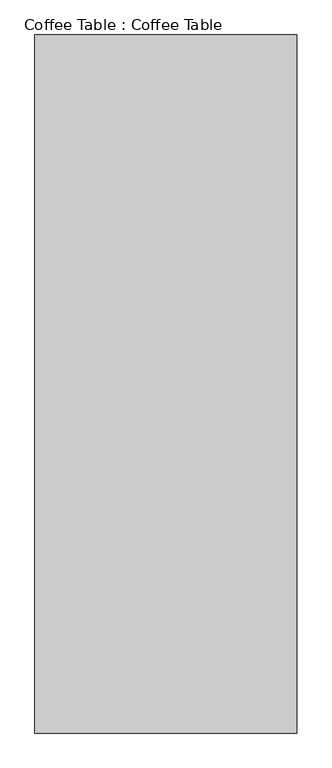
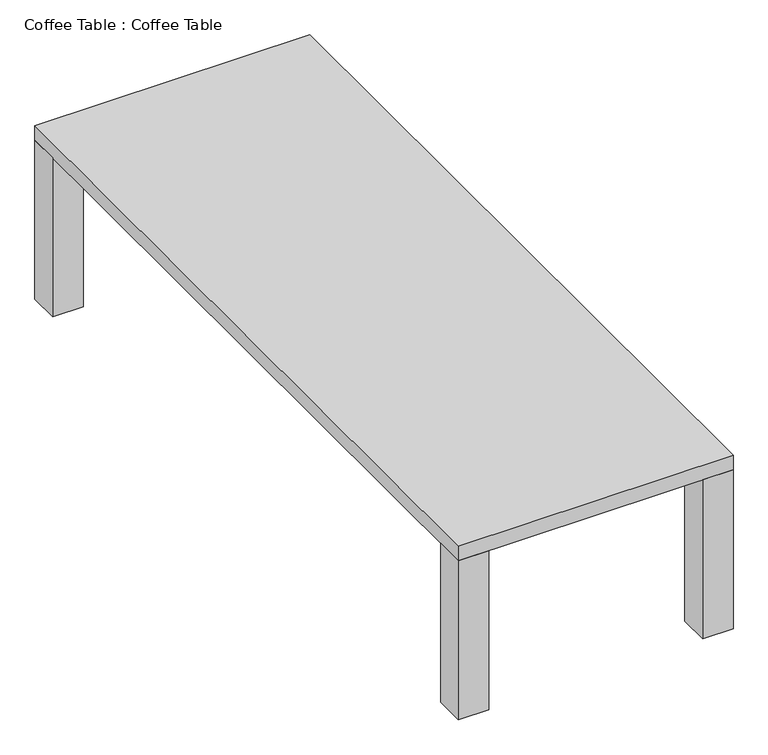
"""IFC4 building model written with IfcOpenShell, lengths in millimetres: furniture geometry, Coffee Table : Coffee Table."""

import ifcopenshell
import ifcopenshell.guid

model = None  # the IFC model being written
_history = None  # IfcOwnerHistory: only IFC2X3 demands one
_inside = {}  # id of a spatial element -> (the spatial element, [elements in it])
_under = {}  # id of a project, library or spatial element -> (it, [spatial elements below it])
_declared = {}  # id of a project -> (the project, [libraries it declares])
_typed = {}  # id of a type object -> (the type object, [elements of that type])
_made_of = {}  # id of a material, layer set ... -> (it, [elements and type objects made of it])


def new_model(schema):
    """Start an empty IFC model of exactly this schema.

    Asked for "IFC4X3", IfcOpenShell would pick the latest addendum, in which some entities
    have other attributes; the version numbers below select the first issue.
    IFC2X3 requires an IfcOwnerHistory on every rooted entity: one is made here for all.
    """
    global model, _history
    if schema == "IFC4X3":
        model = ifcopenshell.file(schema_version=(4, 3, 0, 0))
    else:
        model = ifcopenshell.file(schema=schema)
    _inside.clear()
    _under.clear()
    _declared.clear()
    _typed.clear()
    _made_of.clear()
    _history = None
    if model.schema == "IFC2X3":
        org = make("IfcOrganization", Name="unknown")
        user = make(
            "IfcPersonAndOrganization",
            ThePerson=make("IfcPerson", FamilyName="unknown"),
            TheOrganization=org,
        )
        app = make(
            "IfcApplication",
            ApplicationDeveloper=org,
            Version="unknown",
            ApplicationFullName="unknown",
            ApplicationIdentifier="unknown",
        )
        _history = make(
            "IfcOwnerHistory",
            OwningUser=user,
            OwningApplication=app,
            ChangeAction="ADDED",
            CreationDate=0,
        )
    return model


def make(cls, **values):
    """One entity of the class cls with the attributes given. An attribute that is None is left unset."""
    return model.create_entity(
        cls, **{name: value for name, value in values.items() if value is not None}
    )


def rooted(cls, **values):
    """An entity with a GlobalId (a new one), such as an element, a storey or a relation."""
    return make(cls, GlobalId=ifcopenshell.guid.new(), OwnerHistory=_history, **values)


def si_unit(unit_type, name, prefix=None):
    """IfcSIUnit, for example si_unit("LENGTHUNIT", "METRE", prefix="MILLI")."""
    return make("IfcSIUnit", UnitType=unit_type, Prefix=prefix, Name=name)


def assignment(units):
    """IfcUnitAssignment: the units of a project."""
    return None if units is None else make("IfcUnitAssignment", Units=units)


def point(xyz):
    """IfcCartesianPoint."""
    return None if xyz is None else make("IfcCartesianPoint", Coordinates=xyz)


def direction(xyz):
    """IfcDirection."""
    return None if xyz is None else make("IfcDirection", DirectionRatios=xyz)


def frame(location, z_axis=None, x_axis=None):
    """IfcAxis2Placement3D, a coordinate frame: its origin and axes. An axis left out is left unset."""
    return make(
        "IfcAxis2Placement3D",
        Location=point(location),
        Axis=direction(z_axis),
        RefDirection=direction(x_axis),
    )


def origin():
    """The frame at (0, 0, 0) with its axes left unset."""
    return frame((0.0, 0.0, 0.0))


def origin_with_axes():
    """The frame at (0, 0, 0) with the z axis (0, 0, 1) and the x axis (1, 0, 0) written out."""
    return frame((0.0, 0.0, 0.0), z_axis=(0.0, 0.0, 1.0), x_axis=(1.0, 0.0, 0.0))


def place(relative_to, where):
    """IfcLocalPlacement: puts the frame where relative to a parent placement (None: the world)."""
    return make(
        "IfcLocalPlacement", PlacementRelTo=relative_to, RelativePlacement=where
    )


def context(
    kind, dimensions, precision=None, world=None, true_north=None, identifier=None
):
    """IfcGeometricRepresentationContext, for example the 3D "Model" context."""
    return make(
        "IfcGeometricRepresentationContext",
        ContextIdentifier=identifier,
        ContextType=kind,
        CoordinateSpaceDimension=dimensions,
        Precision=precision,
        WorldCoordinateSystem=world,
        TrueNorth=true_north,
    )


def project(units=None, contexts=None):
    """IfcProject with its units and contexts."""
    return rooted(
        "IfcProject",
        Name="project",
        RepresentationContexts=contexts,
        UnitsInContext=assignment(units),
    )


def spatial(cls, under=None, at=None, **own):
    """A site, building, storey or space (cls), placed at a placement, below another one or the project."""
    s = rooted(cls, ObjectPlacement=at, **own)
    if under is not None:
        _under.setdefault(under.id(), (under, []))[1].append(s)
    return s


def polyline(points):
    """IfcPolyline through the points."""
    return make("IfcPolyline", Points=[point(p) for p in points])


def outline(outer, holes=None, kind="AREA"):
    """IfcArbitraryClosedProfileDef: a profile drawn as a closed curve; with holes, ...WithVoids."""
    if holes is None:
        return make("IfcArbitraryClosedProfileDef", ProfileType=kind, OuterCurve=outer)
    return make(
        "IfcArbitraryProfileDefWithVoids",
        ProfileType=kind,
        OuterCurve=outer,
        InnerCurves=holes,
    )


def extrude(swept, where, along, depth):
    """IfcExtrudedAreaSolid: the profile swept, set in the frame where, extruded along a direction by depth."""
    return make(
        "IfcExtrudedAreaSolid",
        SweptArea=swept,
        Position=where,
        ExtrudedDirection=direction(along),
        Depth=depth,
    )


def shape(context_of_items, identifier, shape_type, items):
    """IfcShapeRepresentation: the items that make up one representation, for example the "Body"."""
    return make(
        "IfcShapeRepresentation",
        ContextOfItems=context_of_items,
        RepresentationIdentifier=identifier,
        RepresentationType=shape_type,
        Items=items,
    )


def source(mapping_origin, context_of_items, identifier, shape_type, items):
    """IfcRepresentationMap: a shape defined once, which mapped items show again and again."""
    return make(
        "IfcRepresentationMap",
        MappingOrigin=mapping_origin,
        MappedRepresentation=shape(context_of_items, identifier, shape_type, items),
    )


def transform(
    local_origin,
    x_axis=None,
    y_axis=None,
    z_axis=None,
    scale=None,
    scale2=None,
    scale3=None,
    uniform=True,
):
    """IfcCartesianTransformationOperator3D, or its non-uniform kind. x_axis, y_axis, z_axis: its Axis1, 2, 3."""
    if uniform:
        return make(
            "IfcCartesianTransformationOperator3D",
            Axis1=direction(x_axis),
            Axis2=direction(y_axis),
            LocalOrigin=point(local_origin),
            Scale=scale,
            Axis3=direction(z_axis),
        )
    return make(
        "IfcCartesianTransformationOperator3DnonUniform",
        Axis1=direction(x_axis),
        Axis2=direction(y_axis),
        LocalOrigin=point(local_origin),
        Scale=scale,
        Axis3=direction(z_axis),
        Scale2=scale2,
        Scale3=scale3,
    )


def mapped(mapping_source, mapping_target):
    """IfcMappedItem: shows the shape of a source again, moved by a transform."""
    return make(
        "IfcMappedItem", MappingSource=mapping_source, MappingTarget=mapping_target
    )


def made_of(thing, what):
    """Note that an element or type object is made of a material, layer set ...; save() writes the relation."""
    if what is not None:
        _made_of.setdefault(what.id(), (what, []))[1].append(thing)
    return thing


def element(
    cls,
    number,
    at=None,
    inside=None,
    cuts=None,
    type_object=None,
    material=None,
    context=None,
    identifier="Body",
    shape_type=None,
    held_by="IfcProductDefinitionShape",
    body=None,
    shapes=None,
    **own,
):
    """One element of the class cls, such as IfcWall. Its Tag is "e" and its number.

    at: its placement. inside: the storey or other place that contains it. cuts: it is an
    opening in that element (IfcRelVoidsElement). A single representation is given by context,
    identifier, shape_type and body (its items); several are given by shapes. held_by: the class
    of the entity that holds the representations. save() writes the other relations.
    """
    e = rooted(cls, Tag="e%d" % number, ObjectPlacement=at, **own)
    if body is not None:
        shapes = [shape(context, identifier, shape_type, body)]
    if shapes is not None:
        e.Representation = make(held_by, Representations=shapes)
    if inside is not None:
        _inside.setdefault(inside.id(), (inside, []))[1].append(e)
    if cuts is not None:
        rooted(
            "IfcRelVoidsElement", RelatingBuildingElement=cuts, RelatedOpeningElement=e
        )
    if type_object is not None:
        _typed.setdefault(type_object.id(), (type_object, []))[1].append(e)
    return made_of(e, material)


def aggregate(whole, parts):
    """IfcRelAggregates: a whole, such as a stair, and the parts it consists of."""
    return rooted("IfcRelAggregates", RelatingObject=whole, RelatedObjects=parts)


def save(model, path):
    """Write the relations noted so far, then the file.

    IfcRelAggregates (storeys below a building ...), IfcRelContainedInSpatialStructure (elements
    in a storey), IfcRelDefinesByType, IfcRelAssociatesMaterial and IfcRelDeclares: one each for
    every whole, place, type object, material and project.
    """
    for whole, parts in _under.values():
        aggregate(whole, parts)
    for where, things in _inside.values():
        rooted(
            "IfcRelContainedInSpatialStructure",
            RelatedElements=things,
            RelatingStructure=where,
        )
    for kind, things in _typed.values():
        rooted("IfcRelDefinesByType", RelatedObjects=things, RelatingType=kind)
    for what, things in _made_of.values():
        rooted("IfcRelAssociatesMaterial", RelatedObjects=things, RelatingMaterial=what)
    for by, libraries in _declared.values():
        rooted("IfcRelDeclares", RelatingContext=by, RelatedDefinitions=libraries)
    model.write(path)


def coffee_table_coffee_table_6741448a(model_context):
    return source(origin(), model_context, "Body", "SweptSolid", [
        extrude(outline(polyline([(50.8, 1168.4), (0.0, 1168.4), (0.0, 1219.2), (50.8, 1219.2), (50.8, 1168.4)])), origin_with_axes(), (0.0, 0.0, 1.0), 279.4),
        extrude(outline(polyline([(457.2, 1168.4), (406.4, 1168.4), (406.4, 1219.2), (457.2, 1219.2), (457.2, 1168.4)])), origin_with_axes(), (0.0, 0.0, 1.0), 279.4),
        extrude(outline(polyline([(457.2, 0.0), (406.4, 0.0), (406.4, 50.8), (457.2, 50.8), (457.2, 0.0)])), origin_with_axes(), (0.0, 0.0, 1.0), 279.4),
        extrude(outline(polyline([(50.8, 0.0), (0.0, 0.0), (0.0, 50.8), (50.8, 50.8), (50.8, 0.0)])), origin_with_axes(), (0.0, 0.0, 1.0), 279.4),
        extrude(outline(polyline([(457.2, 0.0), (0.0, 0.0), (0.0, 1219.2), (457.2, 1219.2), (457.2, 0.0)])), frame((0.0, 0.0, 279.4), z_axis=(0.0, 0.0, 1.0), x_axis=(1.0, 0.0, 0.0)), (0.0, 0.0, 1.0), 25.4),
    ])


if __name__ == "__main__":
    model = new_model("IFC4")
    model_context = context("Model", 3, world=origin())
    ifc_project = project(units=[si_unit("LENGTHUNIT", "METRE", prefix="MILLI")], contexts=[model_context])
    site = spatial("IfcSite", under=ifc_project)
    building = spatial("IfcBuilding", under=site)
    placement = place(None, origin())
    coffee_table_coffee_table_shape = coffee_table_coffee_table_6741448a(model_context)
    element("IfcFurniture", 1, ObjectType="Coffee Table : Coffee Table", at=placement, inside=building, context=model_context, shape_type="MappedRepresentation", body=[
        mapped(coffee_table_coffee_table_shape, transform((0.0, 0.0, 0.0), x_axis=(1.0, 0.0, 0.0), y_axis=(0.0, 1.0, 0.0), z_axis=(0.0, 0.0, 1.0))),
    ])
    save(model, "model.ifc")
